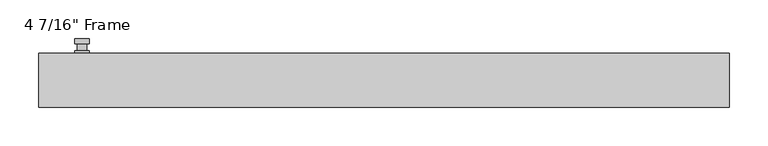
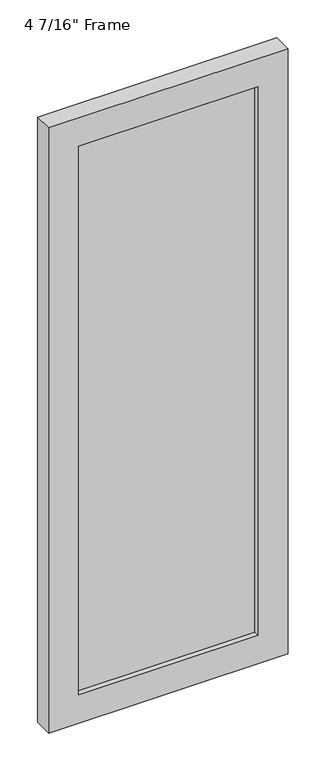
"""IFC4 building model written with IfcOpenShell, lengths in millimetres: plate geometry."""

from ifc_helpers import new_model, si_unit, frame, origin, place, context, project, spatial, polyline, circle_curve, outline, extrude, faceted_brep, source, transform, mapped, element, save
from ifc_brep_helpers import plane_surface, cylinder_surface, advanced_brep


def plate_fcac8a70(model_context):
    return source(origin(), model_context, "Body", "SolidModel", [
        advanced_brep(
        [(-382.5875, 34.925, 927.1), (-401.6375, 34.925, 927.1), (-401.6375, 34.925, 901.7), (-382.5875, 34.925, 901.7), (-385.7625, 47.625, 914.4), (-385.7625, 38.1, 914.4), (-398.4625, 38.1, 914.4), (-398.4625, 47.625, 914.4), (-382.5875, 47.625, 914.4), (-401.6375, 47.625, 914.4), (-398.4584644, 47.625, 825.2736467), (-385.7665356, 47.625, 825.2736467), (-382.5875, 53.975, 914.4), (-385.7665356, 53.975, 825.2736467), (-398.4584644, 53.975, 825.2736467), (-401.6375, 53.975, 914.4), (-382.5875, 38.1, 927.1), (-382.5875, 38.1, 901.7), (-401.6375, 38.1, 901.7), (-401.6375, 38.1, 927.1)],
        [
            (0, 1, circle_curve(frame((-392.1125, 34.925, 927.1), z_axis=(0.0, -1.0, 0.0), x_axis=(-1.0, 0.0, 0.0)), 9.525)),
            (1, 2),
            (2, 3, circle_curve(frame((-392.1125, 34.925, 901.7), z_axis=(0.0, -1.0, 0.0), x_axis=(-1.0, 0.0, 0.0)), 9.525)),
            (3, 0),
            (4, 5),
            (5, 6, circle_curve(frame((-392.1125, 38.1, 914.4), z_axis=(0.0, 1.0, 0.0), x_axis=(-1.0, 0.0, 0.0)), 6.35)),
            (6, 7),
            (7, 4, circle_curve(frame((-392.1125, 47.625, 914.4), z_axis=(0.0, -1.0, 0.0), x_axis=(-1.0, 0.0, 0.0)), 6.35)),
            (6, 5, circle_curve(frame((-392.1125, 38.1, 914.4), z_axis=(0.0, 1.0, 0.0), x_axis=(-1.0, 0.0, 0.0)), 6.35)),
            (4, 7, circle_curve(frame((-392.1125, 47.625, 914.4), z_axis=(0.0, -1.0, 0.0), x_axis=(-1.0, 0.0, 0.0)), 6.35)),
            (8, 9, circle_curve(frame((-392.1125, 47.625, 914.4), z_axis=(0.0, -1.0, 0.0), x_axis=(-1.0, 0.0, 0.0)), 9.525)),
            (9, 10),
            (10, 11, circle_curve(frame((-392.1125, 47.625, 825.5), z_axis=(0.0, -1.0, 0.0), x_axis=(-1.0, 0.0, 0.0)), 6.35)),
            (11, 8),
            (12, 13),
            (13, 14, circle_curve(frame((-392.1125, 53.975, 825.5), z_axis=(0.0, 1.0, 0.0), x_axis=(-1.0, 0.0, 0.0)), 6.35)),
            (14, 15),
            (15, 12, circle_curve(frame((-392.1125, 53.975, 914.4), z_axis=(0.0, 1.0, 0.0), x_axis=(-1.0, 0.0, 0.0)), 9.525)),
            (11, 13),
            (12, 8),
            (10, 14),
            (9, 15),
            (16, 17),
            (17, 18, circle_curve(frame((-392.1125, 38.1, 901.7), z_axis=(0.0, 1.0, 0.0), x_axis=(-1.0, 0.0, 0.0)), 9.525)),
            (18, 19),
            (19, 16, circle_curve(frame((-392.1125, 38.1, 927.1), z_axis=(0.0, 1.0, 0.0), x_axis=(-1.0, 0.0, 0.0)), 9.525)),
            (3, 17),
            (16, 0),
            (2, 18),
            (1, 19),
        ],
        [
            plane_surface(frame((-398.4625, 34.925, 914.4), z_axis=(0.0, -1.0, 0.0), x_axis=(0.0, 0.0, 1.0))),
            cylinder_surface(frame((-392.1125, 47.625, 914.4), z_axis=(0.0, -1.0, 0.0), x_axis=(-1.0, 0.0, 0.0)), 6.35),
            plane_surface(frame((-382.5875, 47.625, 914.4), z_axis=(0.0, -1.0000000000000002, 0.0), x_axis=(-0.03564619348186888, 0.0, -0.9993644724975235))),
            plane_surface(frame((-382.5875, 53.975, 914.4), z_axis=(0.0, 1.0000000000000002, 0.0), x_axis=(0.03564619348186888, 0.0, 0.9993644724975235))),
            plane_surface(frame((-382.5875, 47.625, 914.4), z_axis=(0.9993644724975235, 0.0, -0.03564619348186888), x_axis=(0.0, 1.0, 0.0))),
            cylinder_surface(frame((-392.1125, 53.975, 825.5), z_axis=(0.0, -1.0, 0.0), x_axis=(-1.0, 0.0, 0.0)), 6.35),
            plane_surface(frame((-398.4584644, 47.625, 825.2736467), z_axis=(-0.9993644724975228, 0.0, -0.03564619348188612), x_axis=(0.0, 1.0, 0.0))),
            cylinder_surface(frame((-392.1125, 53.975, 914.4), z_axis=(0.0, -1.0, 0.0), x_axis=(-1.0, 0.0, 0.0)), 9.525),
            plane_surface(frame((-382.5875, 38.1, 901.7), z_axis=(0.0, 1.0, 0.0), x_axis=(0.0, 0.0, 1.0))),
            plane_surface(frame((-382.5875, 34.925, 927.1), z_axis=(1.0, 0.0, 0.0), x_axis=(0.0, 1.0, 0.0))),
            cylinder_surface(frame((-392.1125, 38.1, 901.7), z_axis=(0.0, -1.0, 0.0), x_axis=(-1.0, 0.0, 0.0)), 9.525),
            plane_surface(frame((-401.6375, 34.925, 901.7), z_axis=(-1.0, 0.0, 0.0), x_axis=(0.0, 1.0, 0.0))),
            cylinder_surface(frame((-392.1125, 38.1, 927.1), z_axis=(0.0, -1.0, 0.0), x_axis=(-1.0, 0.0, 0.0)), 9.525),
        ],
        [
            (0, [[1, 2, 3, 4]]),
            (1, [[5, 6, 7, 8]]),
            (1, [[-7, 9, -5, 10]]),
            (2, [[11, 12, 13, 14], [-10, -8]]),
            (3, [[15, 16, 17, 18]]),
            (4, [[19, -15, 20, -14]]),
            (5, [[21, -16, -19, -13]]),
            (6, [[22, -17, -21, -12]]),
            (7, [[-20, -18, -22, -11]]),
            (8, [[23, 24, 25, 26], [-9, -6]]),
            (9, [[27, -23, 28, -4]]),
            (10, [[29, -24, -27, -3]]),
            (11, [[30, -25, -29, -2]]),
            (12, [[-28, -26, -30, -1]]),
        ],
    ),
        faceted_brep([(-448.46875, 34.925, 0.0), (448.46875, 34.925, 0.0), (448.46875, -34.925, 0.0), (-448.46875, -34.925, 0.0), (-335.75625, -34.925, 2282.825), (-335.75625, -34.925, 112.7125), (-335.75625, -15.875, 112.7125), (-335.75625, -15.875, 2282.825), (348.45625, -15.875, 2295.525), (348.45625, -15.875, 100.0125), (-348.45625, -15.875, 100.0125), (-348.45625, -15.875, 2295.525), (335.75625, -15.875, 112.7125), (335.75625, -15.875, 2282.825), (-348.45625, 7.9375, 100.0125), (-348.45625, 7.9375, 2295.525), (348.45625, 7.9375, 100.0125), (348.45625, 7.9375, 2295.525), (-335.75625, 7.9375, 2282.825), (335.75625, 7.9375, 2282.825), (335.75625, 7.9375, 112.7125), (-335.75625, 7.9375, 112.7125), (-335.75625, 34.925, 112.7125), (-335.75625, 34.925, 2282.825), (-448.46875, 34.925, 2395.5375), (448.46875, 34.925, 2395.5375), (335.75625, 34.925, 112.7125), (335.75625, 34.925, 2282.825), (-448.46875, -34.925, 2395.5375), (448.46875, -34.925, 2395.5375), (335.75625, -34.925, 2282.825), (335.75625, -34.925, 112.7125)], [[[0, 1, 2, 3]], [[4, 5, 6, 7]], [[8, 9, 10, 11], [7, 6, 12, 13]], [[10, 14, 15, 11]], [[15, 14, 16, 17], [18, 19, 20, 21]], [[18, 21, 22, 23]], [[0, 24, 25, 1], [23, 22, 26, 27]], [[3, 28, 24, 0]], [[2, 29, 28, 3], [4, 30, 31, 5]], [[7, 13, 30, 4]], [[11, 15, 17, 8]], [[18, 23, 27, 19]], [[24, 28, 29, 25]], [[13, 12, 31, 30]], [[16, 9, 8, 17]], [[27, 26, 20, 19]], [[25, 29, 2, 1]], [[22, 21, 20, 26]], [[9, 16, 14, 10]], [[6, 5, 31, 12]]]),
        extrude(outline(polyline([(348.45625, 7.9375), (348.45625, -15.875), (-348.45625, -15.875), (-348.45625, 7.9375), (348.45625, 7.9375)])), frame((0.0, 0.0, 100.0125), z_axis=(0.0, 0.0, 1.0), x_axis=(1.0, 0.0, 0.0)), (0.0, 0.0, 1.0), 2195.5125),
    ])


if __name__ == "__main__":
    model = new_model("IFC4")
    model_context = context("Model", 3, world=origin())
    ifc_project = project(units=[si_unit("LENGTHUNIT", "METRE", prefix="MILLI")], contexts=[model_context])
    site = spatial("IfcSite", under=ifc_project)
    building = spatial("IfcBuilding", under=site)
    placement = place(None, origin())
    plate_shape = plate_fcac8a70(model_context)
    element("IfcPlate", 1, ObjectType="4 7/16\" Frame", at=placement, inside=building, context=model_context, shape_type="MappedRepresentation", body=[
        mapped(plate_shape, transform((0.0, 0.0, 0.0), x_axis=(1.0, 0.0, 0.0), y_axis=(0.0, 1.0, 0.0), z_axis=(0.0, 0.0, 1.0))),
    ])
    save(model, "model.ifc")
